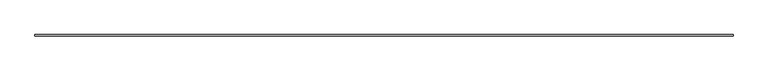
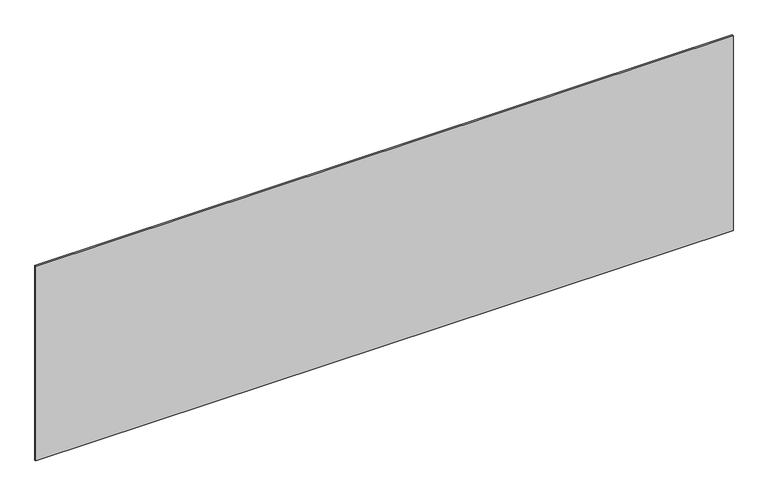
"""IFC4 building model written with IfcOpenShell, lengths in millimetres: plate geometry."""

from ifc_helpers import new_model, si_unit, origin, origin_with_axes, place, context, project, spatial, polyline, outline, extrude, source, transform, mapped, element, save


def plate_dda2259d(model_context):
    return source(origin(), model_context, "Body", "SweptSolid", [
        extrude(outline(polyline([(2206.6666667, -5.0), (-2206.6666667, -5.0), (-2206.6666667, 5.0), (2206.6666667, 5.0), (2206.6666667, -5.0)])), origin_with_axes(), (0.0, 0.0, 1.0), 1303.1391277),
    ])


if __name__ == "__main__":
    model = new_model("IFC4")
    model_context = context("Model", 3, world=origin())
    ifc_project = project(units=[si_unit("LENGTHUNIT", "METRE", prefix="MILLI")], contexts=[model_context])
    site = spatial("IfcSite", under=ifc_project)
    building = spatial("IfcBuilding", under=site)
    placement = place(None, origin())
    plate_shape = plate_dda2259d(model_context)
    element("IfcPlate", 1, at=placement, inside=building, context=model_context, shape_type="MappedRepresentation", body=[
        mapped(plate_shape, transform((0.0, 0.0, 0.0), x_axis=(1.0, 0.0, 0.0), y_axis=(0.0, 1.0, 0.0), z_axis=(0.0, 0.0, 1.0))),
    ])
    save(model, "model.ifc")
